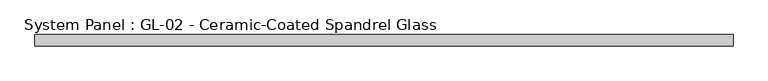
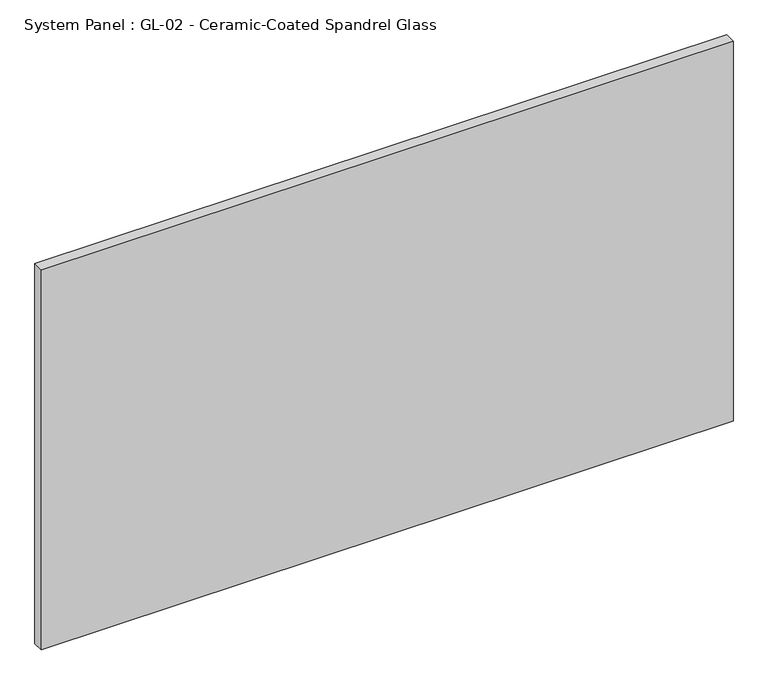
"""IFC4 building model written with IfcOpenShell, lengths in millimetres: plate geometry, System Panel : GL-02 - Ceramic-Coated Spandrel Glass."""

from ifc_helpers import new_model, si_unit, origin, origin_with_axes, place, context, project, spatial, polyline, outline, extrude, source, transform, mapped, element, save


def system_panel_gl_02_ceramic_coated_spandrel_glass_a1ea2899(model_context):
    return source(origin(), model_context, "Body", "SweptSolid", [
        extrude(outline(polyline([(779.4625, -44.45), (-779.4625, -44.45), (-779.4625, -19.05), (779.4625, -19.05), (779.4625, -44.45)])), origin_with_axes(), (0.0, 0.0, 1.0), 905.6076923),
    ])


if __name__ == "__main__":
    model = new_model("IFC4")
    model_context = context("Model", 3, world=origin())
    ifc_project = project(units=[si_unit("LENGTHUNIT", "METRE", prefix="MILLI")], contexts=[model_context])
    site = spatial("IfcSite", under=ifc_project)
    building = spatial("IfcBuilding", under=site)
    placement = place(None, origin())
    system_panel_gl_02_ceramic_coated_spandrel_glass_shape = system_panel_gl_02_ceramic_coated_spandrel_glass_a1ea2899(model_context)
    element("IfcPlate", 1, ObjectType="System Panel : GL-02 - Ceramic-Coated Spandrel Glass", at=placement, inside=building, context=model_context, shape_type="MappedRepresentation", body=[
        mapped(system_panel_gl_02_ceramic_coated_spandrel_glass_shape, transform((0.0, 0.0, 0.0), x_axis=(1.0, 0.0, 0.0), y_axis=(0.0, 1.0, 0.0), z_axis=(0.0, 0.0, 1.0))),
    ])
    save(model, "model.ifc")
